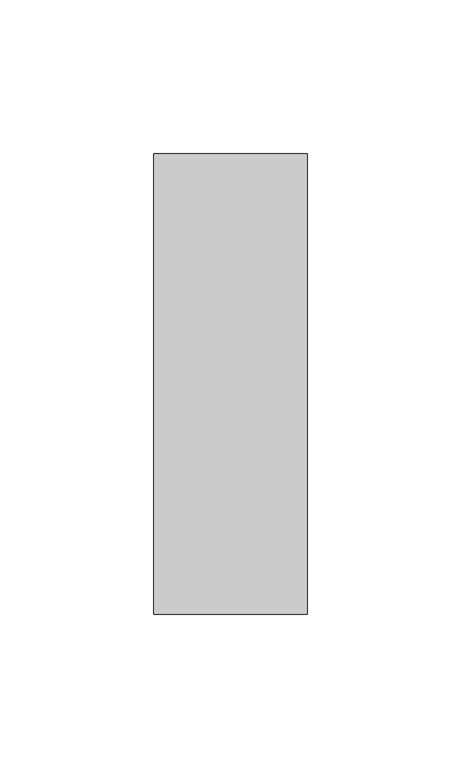
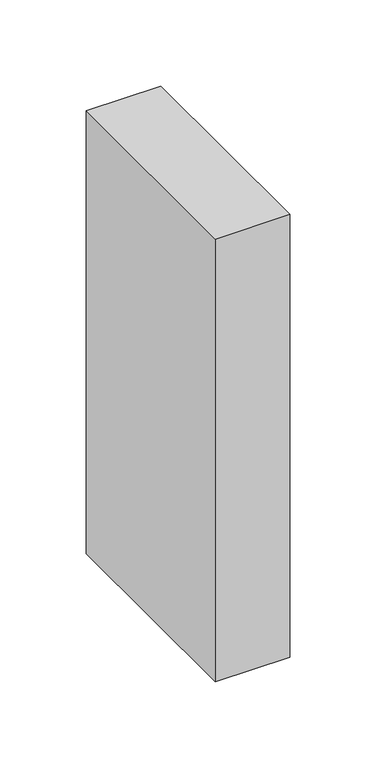
"""IFC4 building model written with IfcOpenShell, lengths in millimetres: member geometry."""

from ifc_helpers import new_model, si_unit, frame, origin, place, context, project, spatial, polyline, outline, extrude, source, transform, mapped, element, save


def member_e6dd4257(model_context):
    return source(origin(), model_context, "Body", "SweptSolid", [
        extrude(outline(polyline([(0.0, 75.0), (0.0, -75.0), (-50.0, -75.0), (-50.0, 75.0), (0.0, 75.0)])), frame((0.0, 0.0, -314.007607), z_axis=(0.0, 0.0, 1.0), x_axis=(1.0, 0.0, 0.0)), (0.0, 0.0, 1.0), 314.007607),
    ])


if __name__ == "__main__":
    model = new_model("IFC4")
    model_context = context("Model", 3, world=origin())
    ifc_project = project(units=[si_unit("LENGTHUNIT", "METRE", prefix="MILLI")], contexts=[model_context])
    site = spatial("IfcSite", under=ifc_project)
    building = spatial("IfcBuilding", under=site)
    placement = place(None, origin())
    member_shape = member_e6dd4257(model_context)
    element("IfcMember", 1, at=placement, inside=building, context=model_context, shape_type="MappedRepresentation", body=[
        mapped(member_shape, transform((0.0, 0.0, 0.0), x_axis=(1.0, 0.0, 0.0), y_axis=(0.0, 1.0, 0.0), z_axis=(0.0, 0.0, 1.0))),
    ])
    save(model, "model.ifc")
